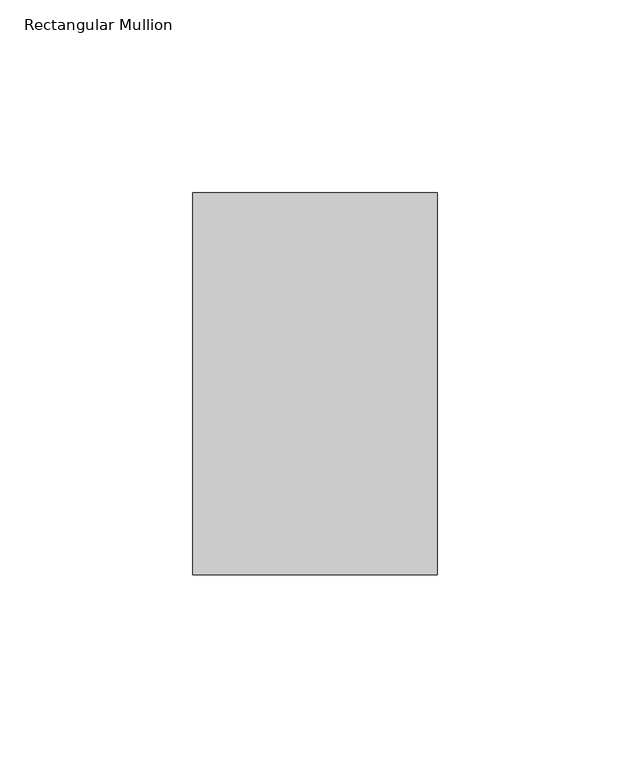
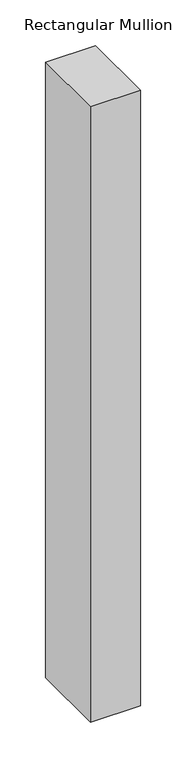
"""IFC4 building model written with IfcOpenShell, lengths in millimetres: member geometry, Rectangular Mullion."""

from ifc_helpers import new_model, si_unit, frame, origin, place, context, project, spatial, polyline, outline, extrude, source, transform, mapped, element, save


def rectangular_mullion_111b0f06(model_context):
    return source(origin(), model_context, "Body", "SweptSolid", [
        extrude(outline(polyline([(31.75, 138.7038437), (31.75, 39.3898438), (-31.75, 39.3898438), (-31.75, 138.7038437), (31.75, 138.7038437)])), frame((0.0, 0.0, -825.4909101), z_axis=(0.0, 0.0, 1.0), x_axis=(1.0, 0.0, 0.0)), (0.0, 0.0, 1.0), 825.4909101),
    ])


if __name__ == "__main__":
    model = new_model("IFC4")
    model_context = context("Model", 3, world=origin())
    ifc_project = project(units=[si_unit("LENGTHUNIT", "METRE", prefix="MILLI")], contexts=[model_context])
    site = spatial("IfcSite", under=ifc_project)
    building = spatial("IfcBuilding", under=site)
    placement = place(None, origin())
    rectangular_mullion_shape = rectangular_mullion_111b0f06(model_context)
    element("IfcMember", 1, ObjectType="Rectangular Mullion", at=placement, inside=building, context=model_context, shape_type="MappedRepresentation", body=[
        mapped(rectangular_mullion_shape, transform((0.0, 0.0, 0.0), x_axis=(1.0, 0.0, 0.0), y_axis=(0.0, 1.0, 0.0), z_axis=(0.0, 0.0, 1.0))),
    ])
    save(model, "model.ifc")
